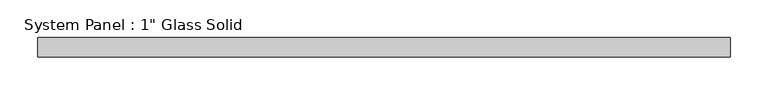
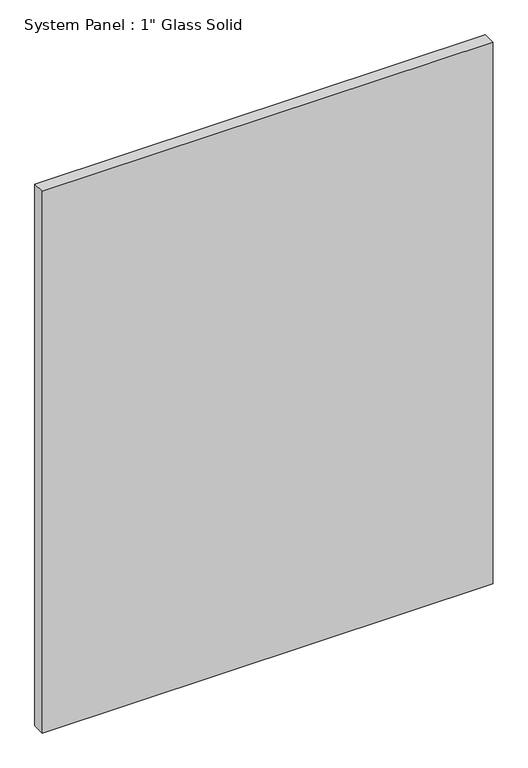
"""IFC4 building model written with IfcOpenShell, lengths in millimetres: plate geometry."""

from ifc_helpers import new_model, si_unit, origin, origin_with_axes, place, context, project, spatial, polyline, outline, extrude, source, transform, mapped, element, save


def plate_0b1318ab(model_context):
    return source(origin(), model_context, "Body", "SweptSolid", [
        extrude(outline(polyline([(456.40625, -12.7), (-456.40625, -12.7), (-456.40625, 12.7), (456.40625, 12.7), (456.40625, -12.7)])), origin_with_axes(), (0.0, 0.0, 1.0), 1158.8767704),
    ])


if __name__ == "__main__":
    model = new_model("IFC4")
    model_context = context("Model", 3, world=origin())
    ifc_project = project(units=[si_unit("LENGTHUNIT", "METRE", prefix="MILLI")], contexts=[model_context])
    site = spatial("IfcSite", under=ifc_project)
    building = spatial("IfcBuilding", under=site)
    placement = place(None, origin())
    plate_shape = plate_0b1318ab(model_context)
    element("IfcPlate", 1, ObjectType="System Panel : 1\" Glass Solid", at=placement, inside=building, context=model_context, shape_type="MappedRepresentation", body=[
        mapped(plate_shape, transform((0.0, 0.0, 0.0), x_axis=(1.0, 0.0, 0.0), y_axis=(0.0, 1.0, 0.0), z_axis=(0.0, 0.0, 1.0))),
    ])
    save(model, "model.ifc")
